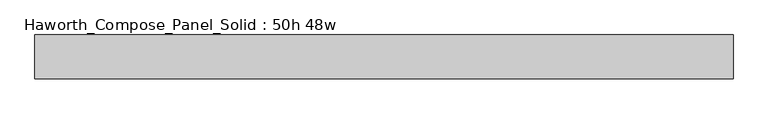
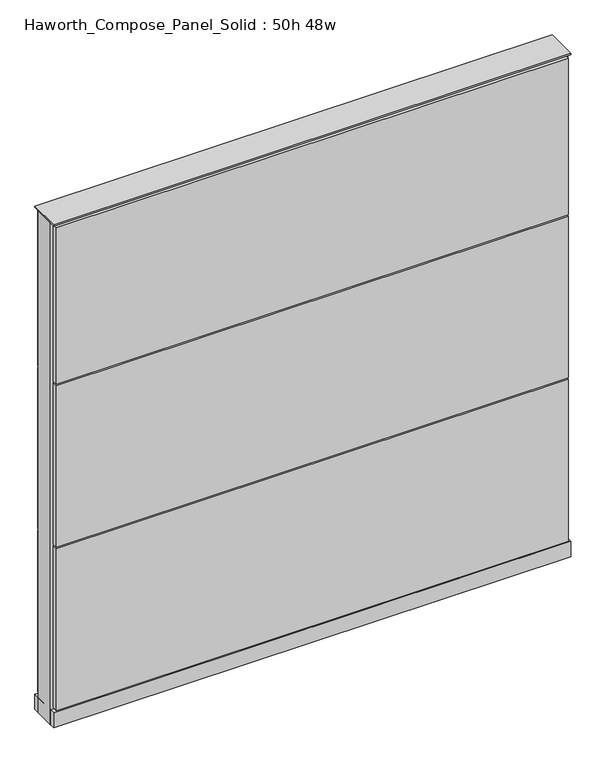
"""IFC4 building model written with IfcOpenShell, lengths in millimetres: furniture geometry, Haworth_Compose_Panel_Solid : 50h 48w."""

import ifcopenshell
import ifcopenshell.guid

model = None  # the IFC model being written
_history = None  # IfcOwnerHistory: only IFC2X3 demands one
_inside = {}  # id of a spatial element -> (the spatial element, [elements in it])
_under = {}  # id of a project, library or spatial element -> (it, [spatial elements below it])
_declared = {}  # id of a project -> (the project, [libraries it declares])
_typed = {}  # id of a type object -> (the type object, [elements of that type])
_made_of = {}  # id of a material, layer set ... -> (it, [elements and type objects made of it])


def new_model(schema):
    """Start an empty IFC model of exactly this schema.

    Asked for "IFC4X3", IfcOpenShell would pick the latest addendum, in which some entities
    have other attributes; the version numbers below select the first issue.
    IFC2X3 requires an IfcOwnerHistory on every rooted entity: one is made here for all.
    """
    global model, _history
    if schema == "IFC4X3":
        model = ifcopenshell.file(schema_version=(4, 3, 0, 0))
    else:
        model = ifcopenshell.file(schema=schema)
    _inside.clear()
    _under.clear()
    _declared.clear()
    _typed.clear()
    _made_of.clear()
    _history = None
    if model.schema == "IFC2X3":
        org = make("IfcOrganization", Name="unknown")
        user = make(
            "IfcPersonAndOrganization",
            ThePerson=make("IfcPerson", FamilyName="unknown"),
            TheOrganization=org,
        )
        app = make(
            "IfcApplication",
            ApplicationDeveloper=org,
            Version="unknown",
            ApplicationFullName="unknown",
            ApplicationIdentifier="unknown",
        )
        _history = make(
            "IfcOwnerHistory",
            OwningUser=user,
            OwningApplication=app,
            ChangeAction="ADDED",
            CreationDate=0,
        )
    return model


def make(cls, **values):
    """One entity of the class cls with the attributes given. An attribute that is None is left unset."""
    return model.create_entity(
        cls, **{name: value for name, value in values.items() if value is not None}
    )


def rooted(cls, **values):
    """An entity with a GlobalId (a new one), such as an element, a storey or a relation."""
    return make(cls, GlobalId=ifcopenshell.guid.new(), OwnerHistory=_history, **values)


def si_unit(unit_type, name, prefix=None):
    """IfcSIUnit, for example si_unit("LENGTHUNIT", "METRE", prefix="MILLI")."""
    return make("IfcSIUnit", UnitType=unit_type, Prefix=prefix, Name=name)


def assignment(units):
    """IfcUnitAssignment: the units of a project."""
    return None if units is None else make("IfcUnitAssignment", Units=units)


def point(xyz):
    """IfcCartesianPoint."""
    return None if xyz is None else make("IfcCartesianPoint", Coordinates=xyz)


def direction(xyz):
    """IfcDirection."""
    return None if xyz is None else make("IfcDirection", DirectionRatios=xyz)


def frame(location, z_axis=None, x_axis=None):
    """IfcAxis2Placement3D, a coordinate frame: its origin and axes. An axis left out is left unset."""
    return make(
        "IfcAxis2Placement3D",
        Location=point(location),
        Axis=direction(z_axis),
        RefDirection=direction(x_axis),
    )


def frame_2d(location, x_axis=None):
    """IfcAxis2Placement2D, a coordinate frame in the plane: its origin and x axis."""
    return make(
        "IfcAxis2Placement2D", Location=point(location), RefDirection=direction(x_axis)
    )


def origin():
    """The frame at (0, 0, 0) with its axes left unset."""
    return frame((0.0, 0.0, 0.0))


def origin_with_axes():
    """The frame at (0, 0, 0) with the z axis (0, 0, 1) and the x axis (1, 0, 0) written out."""
    return frame((0.0, 0.0, 0.0), z_axis=(0.0, 0.0, 1.0), x_axis=(1.0, 0.0, 0.0))


def place(relative_to, where):
    """IfcLocalPlacement: puts the frame where relative to a parent placement (None: the world)."""
    return make(
        "IfcLocalPlacement", PlacementRelTo=relative_to, RelativePlacement=where
    )


def context(
    kind, dimensions, precision=None, world=None, true_north=None, identifier=None
):
    """IfcGeometricRepresentationContext, for example the 3D "Model" context."""
    return make(
        "IfcGeometricRepresentationContext",
        ContextIdentifier=identifier,
        ContextType=kind,
        CoordinateSpaceDimension=dimensions,
        Precision=precision,
        WorldCoordinateSystem=world,
        TrueNorth=true_north,
    )


def project(units=None, contexts=None):
    """IfcProject with its units and contexts."""
    return rooted(
        "IfcProject",
        Name="project",
        RepresentationContexts=contexts,
        UnitsInContext=assignment(units),
    )


def spatial(cls, under=None, at=None, **own):
    """A site, building, storey or space (cls), placed at a placement, below another one or the project."""
    s = rooted(cls, ObjectPlacement=at, **own)
    if under is not None:
        _under.setdefault(under.id(), (under, []))[1].append(s)
    return s


def polyline(points):
    """IfcPolyline through the points."""
    return make("IfcPolyline", Points=[point(p) for p in points])


def circle_curve(where, radius):
    """IfcCircle in the frame where."""
    return make("IfcCircle", Position=where, Radius=radius)


def trimmed(basis, trim1, trim2, sense, master):
    """IfcTrimmedCurve: the piece of a basis curve between two trims."""
    return make(
        "IfcTrimmedCurve",
        BasisCurve=basis,
        Trim1=trim1,
        Trim2=trim2,
        SenseAgreement=sense,
        MasterRepresentation=master,
    )


def segment(curve, same_sense, transition):
    """IfcCompositeCurveSegment."""
    return make(
        "IfcCompositeCurveSegment",
        Transition=transition,
        SameSense=same_sense,
        ParentCurve=curve,
    )


def composite_curve(segments, self_intersect=None):
    """IfcCompositeCurve: segments joined end to end."""
    return make("IfcCompositeCurve", Segments=segments, SelfIntersect=self_intersect)


def outline(outer, holes=None, kind="AREA"):
    """IfcArbitraryClosedProfileDef: a profile drawn as a closed curve; with holes, ...WithVoids."""
    if holes is None:
        return make("IfcArbitraryClosedProfileDef", ProfileType=kind, OuterCurve=outer)
    return make(
        "IfcArbitraryProfileDefWithVoids",
        ProfileType=kind,
        OuterCurve=outer,
        InnerCurves=holes,
    )


def extrude(swept, where, along, depth):
    """IfcExtrudedAreaSolid: the profile swept, set in the frame where, extruded along a direction by depth."""
    return make(
        "IfcExtrudedAreaSolid",
        SweptArea=swept,
        Position=where,
        ExtrudedDirection=direction(along),
        Depth=depth,
    )


def shape(context_of_items, identifier, shape_type, items):
    """IfcShapeRepresentation: the items that make up one representation, for example the "Body"."""
    return make(
        "IfcShapeRepresentation",
        ContextOfItems=context_of_items,
        RepresentationIdentifier=identifier,
        RepresentationType=shape_type,
        Items=items,
    )


def source(mapping_origin, context_of_items, identifier, shape_type, items):
    """IfcRepresentationMap: a shape defined once, which mapped items show again and again."""
    return make(
        "IfcRepresentationMap",
        MappingOrigin=mapping_origin,
        MappedRepresentation=shape(context_of_items, identifier, shape_type, items),
    )


def transform(
    local_origin,
    x_axis=None,
    y_axis=None,
    z_axis=None,
    scale=None,
    scale2=None,
    scale3=None,
    uniform=True,
):
    """IfcCartesianTransformationOperator3D, or its non-uniform kind. x_axis, y_axis, z_axis: its Axis1, 2, 3."""
    if uniform:
        return make(
            "IfcCartesianTransformationOperator3D",
            Axis1=direction(x_axis),
            Axis2=direction(y_axis),
            LocalOrigin=point(local_origin),
            Scale=scale,
            Axis3=direction(z_axis),
        )
    return make(
        "IfcCartesianTransformationOperator3DnonUniform",
        Axis1=direction(x_axis),
        Axis2=direction(y_axis),
        LocalOrigin=point(local_origin),
        Scale=scale,
        Axis3=direction(z_axis),
        Scale2=scale2,
        Scale3=scale3,
    )


def mapped(mapping_source, mapping_target):
    """IfcMappedItem: shows the shape of a source again, moved by a transform."""
    return make(
        "IfcMappedItem", MappingSource=mapping_source, MappingTarget=mapping_target
    )


def made_of(thing, what):
    """Note that an element or type object is made of a material, layer set ...; save() writes the relation."""
    if what is not None:
        _made_of.setdefault(what.id(), (what, []))[1].append(thing)
    return thing


def element(
    cls,
    number,
    at=None,
    inside=None,
    cuts=None,
    type_object=None,
    material=None,
    context=None,
    identifier="Body",
    shape_type=None,
    held_by="IfcProductDefinitionShape",
    body=None,
    shapes=None,
    **own,
):
    """One element of the class cls, such as IfcWall. Its Tag is "e" and its number.

    at: its placement. inside: the storey or other place that contains it. cuts: it is an
    opening in that element (IfcRelVoidsElement). A single representation is given by context,
    identifier, shape_type and body (its items); several are given by shapes. held_by: the class
    of the entity that holds the representations. save() writes the other relations.
    """
    e = rooted(cls, Tag="e%d" % number, ObjectPlacement=at, **own)
    if body is not None:
        shapes = [shape(context, identifier, shape_type, body)]
    if shapes is not None:
        e.Representation = make(held_by, Representations=shapes)
    if inside is not None:
        _inside.setdefault(inside.id(), (inside, []))[1].append(e)
    if cuts is not None:
        rooted(
            "IfcRelVoidsElement", RelatingBuildingElement=cuts, RelatedOpeningElement=e
        )
    if type_object is not None:
        _typed.setdefault(type_object.id(), (type_object, []))[1].append(e)
    return made_of(e, material)


def aggregate(whole, parts):
    """IfcRelAggregates: a whole, such as a stair, and the parts it consists of."""
    return rooted("IfcRelAggregates", RelatingObject=whole, RelatedObjects=parts)


def save(model, path):
    """Write the relations noted so far, then the file.

    IfcRelAggregates (storeys below a building ...), IfcRelContainedInSpatialStructure (elements
    in a storey), IfcRelDefinesByType, IfcRelAssociatesMaterial and IfcRelDeclares: one each for
    every whole, place, type object, material and project.
    """
    for whole, parts in _under.values():
        aggregate(whole, parts)
    for where, things in _inside.values():
        rooted(
            "IfcRelContainedInSpatialStructure",
            RelatedElements=things,
            RelatingStructure=where,
        )
    for kind, things in _typed.values():
        rooted("IfcRelDefinesByType", RelatedObjects=things, RelatingType=kind)
    for what, things in _made_of.values():
        rooted("IfcRelAssociatesMaterial", RelatedObjects=things, RelatingMaterial=what)
    for by, libraries in _declared.values():
        rooted("IfcRelDeclares", RelatingContext=by, RelatedDefinitions=libraries)
    model.write(path)


def haworth_compose_panel_solid_50h_48w_e033627e(model_context):
    return source(origin(), model_context, "Body", "SweptSolid", [
        extrude(outline(composite_curve([segment(trimmed(circle_curve(frame_2d((-530.9597098, 0.0)), 12.7), [point((-543.6597098, 0.0))], [point((-518.2597098, 0.0))], False, "CARTESIAN"), True, "CONTINUOUS"), segment(trimmed(circle_curve(frame_2d((-530.9597098, 0.0)), 12.7), [point((-518.2597098, 0.0))], [point((-543.6597098, 0.0))], False, "CARTESIAN"), True, "CONTINUOUS")], self_intersect=False)), origin_with_axes(), (0.0, 0.0, 1.0), 12.7),
        extrude(outline(composite_curve([segment(trimmed(circle_curve(frame_2d((535.8402902, 0.0)), 12.7), [point((523.1402902, 0.0))], [point((548.5402902, 0.0))], False, "CARTESIAN"), True, "CONTINUOUS"), segment(trimmed(circle_curve(frame_2d((535.8402902, 0.0)), 12.7), [point((548.5402902, 0.0))], [point((523.1402902, 0.0))], False, "CARTESIAN"), True, "CONTINUOUS")], self_intersect=False)), origin_with_axes(), (0.0, 0.0, 1.0), 12.7),
        extrude(outline(polyline([(605.6902902, 38.1), (605.6902902, 25.4), (-600.8097098, 25.4), (-600.8097098, 38.1), (605.6902902, 38.1)])), frame((0.0, 0.0, 866.775), z_axis=(0.0, 0.0, 1.0), x_axis=(1.0, 0.0, 0.0)), (0.0, 0.0, 1.0), 390.525),
        extrude(outline(polyline([(605.6902902, 38.1), (605.6902902, 25.4), (-600.8097098, 25.4), (-600.8097098, 38.1), (605.6902902, 38.1)])), frame((0.0, 0.0, 460.375), z_axis=(0.0, 0.0, 1.0), x_axis=(1.0, 0.0, 0.0)), (0.0, 0.0, 1.0), 403.225),
        extrude(outline(polyline([(605.6902902, 38.1), (605.6902902, 25.4), (-600.8097098, 25.4), (-600.8097098, 38.1), (605.6902902, 38.1)])), frame((0.0, 0.0, 53.975), z_axis=(0.0, 0.0, 1.0), x_axis=(1.0, 0.0, 0.0)), (0.0, 0.0, 1.0), 403.225),
        extrude(outline(polyline([(605.6902902, -38.1), (-600.8097098, -38.1), (-600.8097098, -25.4), (605.6902902, -25.4), (605.6902902, -38.1)])), frame((0.0, 0.0, 866.775), z_axis=(0.0, 0.0, 1.0), x_axis=(1.0, 0.0, 0.0)), (0.0, 0.0, 1.0), 390.525),
        extrude(outline(polyline([(605.6902902, -38.1), (-600.8097098, -38.1), (-600.8097098, -25.4), (605.6902902, -25.4), (605.6902902, -38.1)])), frame((0.0, 0.0, 460.375), z_axis=(0.0, 0.0, 1.0), x_axis=(1.0, 0.0, 0.0)), (0.0, 0.0, 1.0), 403.225),
        extrude(outline(polyline([(605.6902902, -38.1), (-600.8097098, -38.1), (-600.8097098, -25.4), (605.6902902, -25.4), (605.6902902, -38.1)])), frame((0.0, 0.0, 53.975), z_axis=(0.0, 0.0, 1.0), x_axis=(1.0, 0.0, 0.0)), (0.0, 0.0, 1.0), 403.225),
        extrude(outline(polyline([(612.0402902, 25.4), (612.0402902, -25.4), (-607.1597098, -25.4), (-607.1597098, 25.4), (612.0402902, 25.4)])), frame((0.0, 0.0, 12.7), z_axis=(0.0, 0.0, 1.0), x_axis=(1.0, 0.0, 0.0)), (0.0, 0.0, 1.0), 1250.95),
        extrude(outline(polyline([(-607.1597098, -38.1), (-607.1597098, 38.1), (612.0402902, 38.1), (612.0402902, -38.1), (-607.1597098, -38.1)])), frame((0.0, 0.0, 12.7), z_axis=(0.0, 0.0, 1.0), x_axis=(1.0, 0.0, 0.0)), (0.0, 0.0, 1.0), 38.1),
        extrude(outline(polyline([(-607.1597098, -38.1), (-607.1597098, 38.1), (612.0402902, 38.1), (612.0402902, -38.1), (-607.1597098, -38.1)])), frame((0.0, 0.0, 1263.65), z_axis=(0.0, 0.0, 1.0), x_axis=(1.0, 0.0, 0.0)), (0.0, 0.0, 1.0), 3.175),
    ])


if __name__ == "__main__":
    model = new_model("IFC4")
    model_context = context("Model", 3, world=origin())
    ifc_project = project(units=[si_unit("LENGTHUNIT", "METRE", prefix="MILLI")], contexts=[model_context])
    site = spatial("IfcSite", under=ifc_project)
    building = spatial("IfcBuilding", under=site)
    placement = place(None, origin())
    haworth_compose_panel_solid_50h_48w_shape = haworth_compose_panel_solid_50h_48w_e033627e(model_context)
    element("IfcFurniture", 1, ObjectType="Haworth_Compose_Panel_Solid : 50h 48w", at=placement, inside=building, context=model_context, shape_type="MappedRepresentation", body=[
        mapped(haworth_compose_panel_solid_50h_48w_shape, transform((0.0, 0.0, 0.0), x_axis=(1.0, 0.0, 0.0), y_axis=(0.0, 1.0, 0.0), z_axis=(0.0, 0.0, 1.0))),
    ])
    save(model, "model.ifc")
